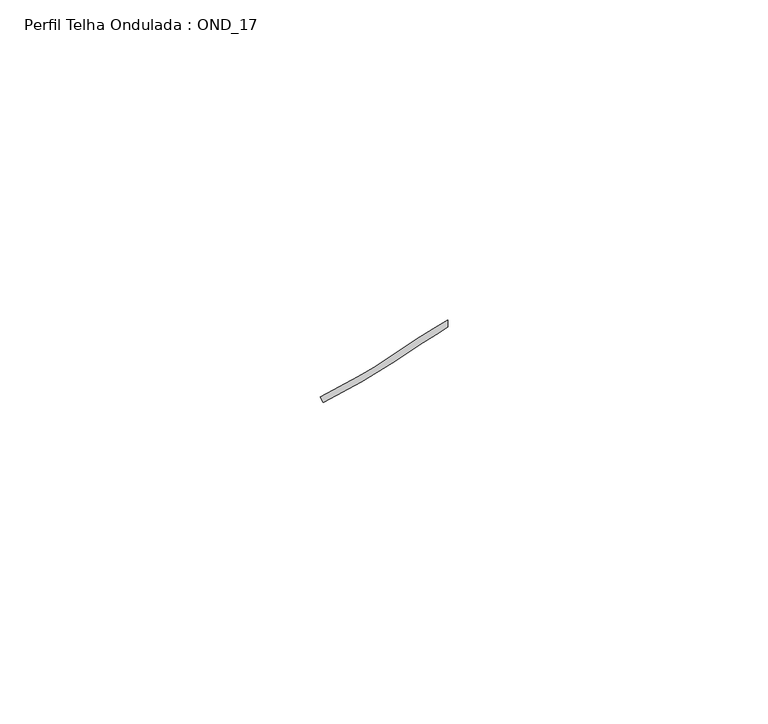
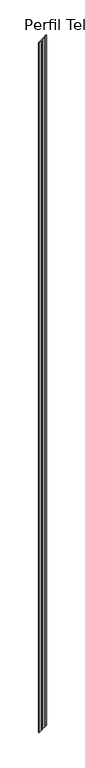
"""IFC4 building model written with IfcOpenShell, lengths in millimetres: proxy geometry, Perfil Telha Ondulada : OND_17."""

from ifc_helpers import new_model, si_unit, origin, place, context, project, spatial, faceted_brep, source, transform, mapped, element, save


def perfil_telha_ondulada_ond_17_acc96fe0(model_context):
    return source(origin(), model_context, "Body", "Brep", [
        faceted_brep([(-497.5, -16.3133863, 0.0), (-497.0291951, -17.1956236, 0.0), (-497.0291951, -17.1956236, 1300.0), (-497.5, -16.3133863, 1300.0), (-491.5309785, -13.1280254, 0.0), (-489.1333341, -11.7010059, 0.0), (-486.7297126, -10.170061, 0.0), (-481.9049327, -6.9951839, 0.0), (-479.482699, -5.4508311, 0.0), (-477.5000003, -4.2689129, 0.0), (-477.5000003, -5.4332439, 0.0), (-478.9702638, -6.3100768, 0.0), (-481.3672442, -7.8384515, 0.0), (-486.1799913, -11.0055379, 0.0), (-488.5957412, -12.5447453, 0.0), (-491.0186258, -13.9880908, 0.0), (-491.0186258, -13.9880908, 1300.0), (-488.5957412, -12.5447453, 1300.0), (-486.1799913, -11.0055379, 1300.0), (-481.3672442, -7.8384515, 1300.0), (-478.9702638, -6.3100768, 1300.0), (-477.5000003, -5.4332439, 1300.0), (-477.5000003, -4.2689129, 1300.0), (-479.4824704, -5.4512145, 1300.0), (-481.9048765, -6.995272, 1300.0), (-486.7296535, -10.1701508, 1300.0), (-489.1330918, -11.7013863, 1300.0), (-491.5304113, -13.1289776, 1300.0)], [[[0, 1, 2, 3]], [[0, 4, 5, 6, 7, 8, 9, 10, 11, 12, 13, 14, 15, 1]], [[2, 16, 17, 18, 19, 20, 21, 22, 23, 24, 25, 26, 27, 3]], [[11, 10, 21, 20]], [[23, 22, 9, 8]], [[11, 20, 19, 12]], [[7, 24, 23, 8]], [[12, 19, 18, 13]], [[6, 25, 24, 7]], [[13, 18, 17, 14]], [[5, 26, 25, 6]], [[14, 17, 16, 15]], [[4, 27, 26, 5]], [[1, 15, 16, 2]], [[3, 27, 4, 0]], [[9, 22, 21, 10]]]),
    ])


if __name__ == "__main__":
    model = new_model("IFC4")
    model_context = context("Model", 3, world=origin())
    ifc_project = project(units=[si_unit("LENGTHUNIT", "METRE", prefix="MILLI")], contexts=[model_context])
    site = spatial("IfcSite", under=ifc_project)
    building = spatial("IfcBuilding", under=site)
    placement = place(None, origin())
    perfil_telha_ondulada_ond_17_shape = perfil_telha_ondulada_ond_17_acc96fe0(model_context)
    element("IfcBuildingElementProxy", 1, Name="Perfil Telha Ondulada : OND_17", ObjectType="Perfil Telha Ondulada : OND_17", at=placement, inside=building, context=model_context, shape_type="MappedRepresentation", body=[
        mapped(perfil_telha_ondulada_ond_17_shape, transform((0.0, 0.0, 0.0), x_axis=(1.0, 0.0, 0.0), y_axis=(0.0, 1.0, 0.0), z_axis=(0.0, 0.0, 1.0))),
    ])
    save(model, "model.ifc")
